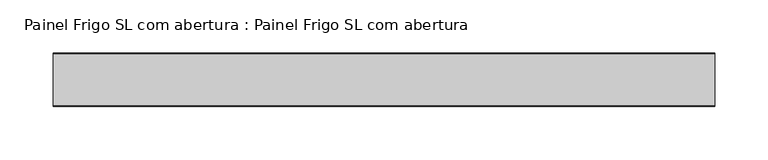
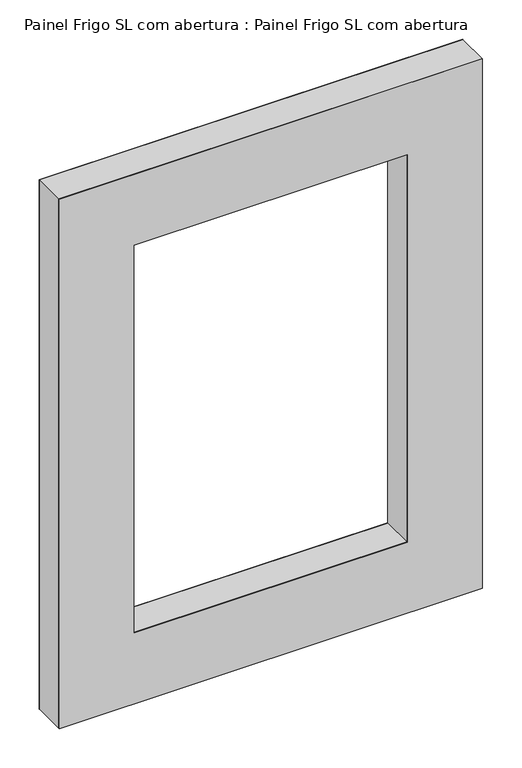
"""IFC4 building model written with IfcOpenShell, lengths in millimetres: proxy geometry, Painel Frigo SL com abertura : Painel Frigo SL com abertura."""

from ifc_helpers import new_model, si_unit, frame, origin, place, context, project, spatial, polyline, outline, extrude, source, transform, mapped, element, save


def painel_frigo_sl_com_abertura_painel_frigo_sl_com_abertura_0dc50f86(model_context):
    return source(origin(), model_context, "Body", "SweptSolid", [
        extrude(outline(polyline([(0.0, 670.0), (820.0, 670.0), (820.0, 50.0), (0.0, 50.0), (0.0, 670.0)]), holes=[polyline([(710.0, 160.0), (710.0, 560.0), (110.0, 560.0), (110.0, 160.0), (710.0, 160.0)])]), frame((0.0, -24.2, 0.0), z_axis=(0.0, 1.0, 0.0), x_axis=(0.0, 0.0, 1.0)), (0.0, 0.0, 1.0), 48.4),
        extrude(outline(polyline([(0.0, 670.0), (820.0, 670.0), (820.0, 50.0), (0.0, 50.0), (0.0, 670.0)]), holes=[polyline([(710.0, 160.0), (710.0, 560.0), (110.0, 560.0), (110.0, 160.0), (710.0, 160.0)])]), frame((0.0, -25.0, 0.0), z_axis=(0.0, 1.0, 0.0), x_axis=(0.0, 0.0, 1.0)), (0.0, 0.0, 1.0), 0.8),
        extrude(outline(polyline([(0.0, 670.0), (820.0, 670.0), (820.0, 50.0), (0.0, 50.0), (0.0, 670.0)]), holes=[polyline([(710.0, 160.0), (710.0, 560.0), (110.0, 560.0), (110.0, 160.0), (710.0, 160.0)])]), frame((0.0, 24.2, 0.0), z_axis=(0.0, 1.0, 0.0), x_axis=(0.0, 0.0, 1.0)), (0.0, 0.0, 1.0), 0.8),
    ])


if __name__ == "__main__":
    model = new_model("IFC4")
    model_context = context("Model", 3, world=origin())
    ifc_project = project(units=[si_unit("LENGTHUNIT", "METRE", prefix="MILLI")], contexts=[model_context])
    site = spatial("IfcSite", under=ifc_project)
    building = spatial("IfcBuilding", under=site)
    placement = place(None, origin())
    painel_frigo_sl_com_abertura_painel_frigo_sl_com_abertura_shape = painel_frigo_sl_com_abertura_painel_frigo_sl_com_abertura_0dc50f86(model_context)
    element("IfcBuildingElementProxy", 1, Name="Painel Frigo SL com abertura : Painel Frigo SL com abertura", ObjectType="Painel Frigo SL com abertura : Painel Frigo SL com abertura", at=placement, inside=building, context=model_context, shape_type="MappedRepresentation", body=[
        mapped(painel_frigo_sl_com_abertura_painel_frigo_sl_com_abertura_shape, transform((0.0, 0.0, 0.0), x_axis=(1.0, 0.0, 0.0), y_axis=(0.0, 1.0, 0.0), z_axis=(0.0, 0.0, 1.0))),
    ])
    save(model, "model.ifc")
